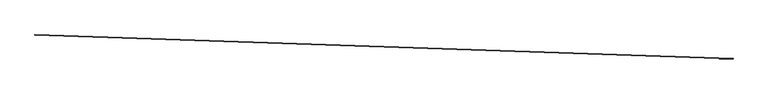
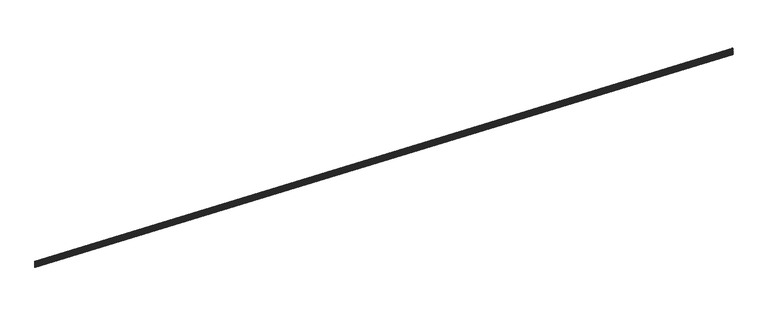
"""IFC4 building model written with IfcOpenShell, lengths in millimetres: proxy geometry."""

from ifc_helpers import new_model, si_unit, frame, origin, place, context, project, spatial, polyline, outline, extrude, source, transform, mapped, element, save


def generic_models_1ac97226(model_context):
    return source(origin(), model_context, "Body", "SweptSolid", [
        extrude(outline(polyline([(-3.1749993, 0.0), (0.0, 0.0), (0.0, 12.7), (5.4236225, 15.2290767), (5.4236225, 19.6959233), (-1e-07, 22.225), (-1e-07, 31.75), (3.1749999, 31.75), (3.1749999, 24.247698), (9.2139906, 21.4316705), (9.2139906, 13.4933295), (3.175, 10.6773019), (3.175, -3.175), (1e-07, -3.175), (1e-07, -34.13125), (9.5250002, -34.13125), (9.5250002, -37.30625), (3e-07, -37.30625), (3e-07, -59.5312499), (9.5250003, -59.5312499), (9.5250003, -62.70625), (4e-07, -62.70625), (4e-07, -84.9312499), (9.5250004, -84.9312499), (9.5250004, -88.10625), (6e-07, -88.10625), (6e-07, -113.50625), (8.8104391, -113.50625), (8.8104391, -123.03125), (4.9129911, -123.03125), (4.9129911, -116.68125), (7e-07, -116.68125), (7e-07, -133.35), (-3.1749993, -133.35), (-3.1749993, 0.0)])), frame((34377.09634, -14812.3976044, 3172.7824341), z_axis=(-0.9994149475908112, 0.03420179135741461, 0.0), x_axis=(-0.03420179135741461, -0.9994149475908112, 0.0)), (0.0, 0.0, 1.0), 17068.8),
    ])


if __name__ == "__main__":
    model = new_model("IFC4")
    model_context = context("Model", 3, world=origin())
    ifc_project = project(units=[si_unit("LENGTHUNIT", "METRE", prefix="MILLI")], contexts=[model_context])
    site = spatial("IfcSite", under=ifc_project)
    building = spatial("IfcBuilding", under=site)
    placement = place(None, origin())
    generic_models_shape = generic_models_1ac97226(model_context)
    element("IfcBuildingElementProxy", 1, Name="Generic Models", at=placement, inside=building, context=model_context, shape_type="MappedRepresentation", body=[
        mapped(generic_models_shape, transform((0.0, 0.0, 0.0), x_axis=(1.0, 0.0, 0.0), y_axis=(0.0, 1.0, 0.0), z_axis=(0.0, 0.0, 1.0))),
    ])
    save(model, "model.ifc")
